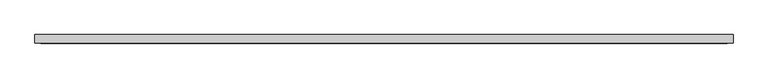
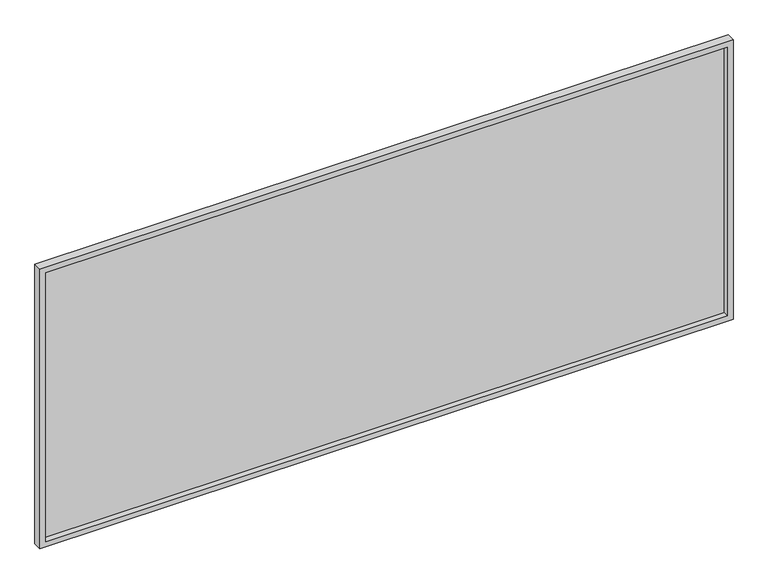
"""IFC4 building model written with IfcOpenShell, lengths in millimetres: furniture geometry."""

from ifc_helpers import new_model, si_unit, frame, origin, place, context, project, spatial, polyline, outline, extrude, source, transform, mapped, element, save


def furniture_2cba7e2b(model_context):
    return source(origin(), model_context, "Body", "SweptSolid", [
        extrude(outline(polyline([(2420.0, -10.0), (20.0, -10.0), (20.0, 0.0), (2420.0, 0.0), (2420.0, -10.0)])), frame((0.0, 0.0, 769.6938399), z_axis=(0.0, 0.0, 1.0), x_axis=(1.0, 0.0, 0.0)), (0.0, 0.0, 1.0), 1000.0),
        extrude(outline(polyline([(749.6938399, 2440.0), (1789.6938399, 2440.0), (1789.6938399, 0.0), (749.6938399, 0.0), (749.6938399, 2440.0)]), holes=[polyline([(769.6938399, 2420.0), (769.6938399, 20.0), (1769.6938399, 20.0), (1769.6938399, 2420.0), (769.6938399, 2420.0)])]), frame((0.0, -30.0, 0.0), z_axis=(0.0, 1.0, 0.0), x_axis=(0.0, 0.0, 1.0)), (0.0, 0.0, 1.0), 30.0),
    ])


if __name__ == "__main__":
    model = new_model("IFC4")
    model_context = context("Model", 3, world=origin())
    ifc_project = project(units=[si_unit("LENGTHUNIT", "METRE", prefix="MILLI")], contexts=[model_context])
    site = spatial("IfcSite", under=ifc_project)
    building = spatial("IfcBuilding", under=site)
    placement = place(None, origin())
    furniture_shape = furniture_2cba7e2b(model_context)
    element("IfcFurniture", 1, at=placement, inside=building, context=model_context, shape_type="MappedRepresentation", body=[
        mapped(furniture_shape, transform((0.0, 0.0, 0.0), x_axis=(1.0, 0.0, 0.0), y_axis=(0.0, 1.0, 0.0), z_axis=(0.0, 0.0, 1.0))),
    ])
    save(model, "model.ifc")
